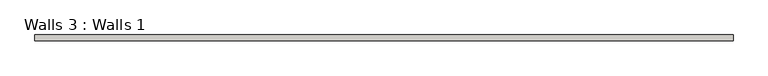
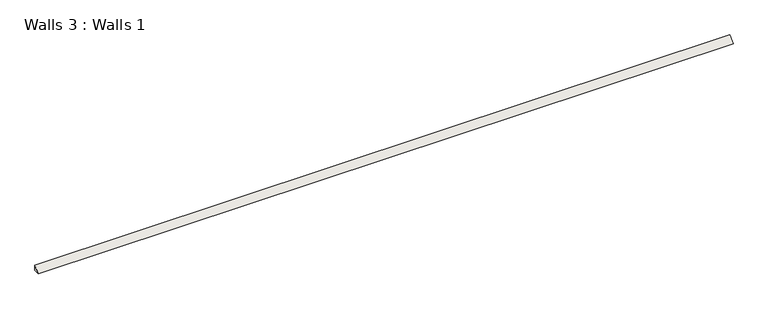
"""IFC4 building model written with IfcOpenShell, lengths in millimetres: wall geometry, Walls 3 : Walls 1."""

from ifc_helpers import new_model, si_unit, frame, origin, place, context, project, spatial, polyline, outline, extrude, source, transform, mapped, element, save


def walls_3_walls_1_6f3bc5c5(model_context):
    return source(origin(), model_context, "Body", "SweptSolid", [
        extrude(outline(polyline([(2502.9875696, 19.05), (2502.9875696, 0.0), (2483.9375696, 0.0), (2502.9875696, 19.05)])), frame((-951.7491178, 0.0, 0.0), z_axis=(1.0, 0.0, 0.0), x_axis=(0.0, 1.0, 0.0)), (0.0, 0.0, 1.0), 2286.0),
    ])


if __name__ == "__main__":
    model = new_model("IFC4")
    model_context = context("Model", 3, world=origin())
    ifc_project = project(units=[si_unit("LENGTHUNIT", "METRE", prefix="MILLI")], contexts=[model_context])
    site = spatial("IfcSite", under=ifc_project)
    building = spatial("IfcBuilding", under=site)
    placement = place(None, origin())
    walls_3_walls_1_shape = walls_3_walls_1_6f3bc5c5(model_context)
    element("IfcWall", 1, ObjectType="Walls 3 : Walls 1", at=placement, inside=building, context=model_context, shape_type="MappedRepresentation", body=[
        mapped(walls_3_walls_1_shape, transform((0.0, 0.0, 0.0), x_axis=(1.0, 0.0, 0.0), y_axis=(0.0, 1.0, 0.0), z_axis=(0.0, 0.0, 1.0))),
    ])
    save(model, "model.ifc")
